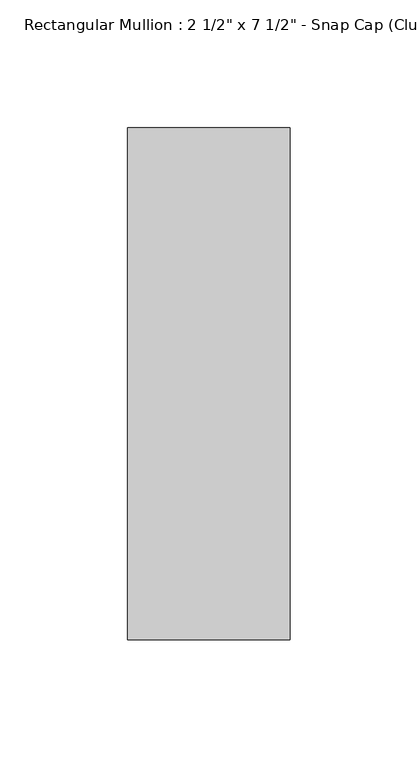
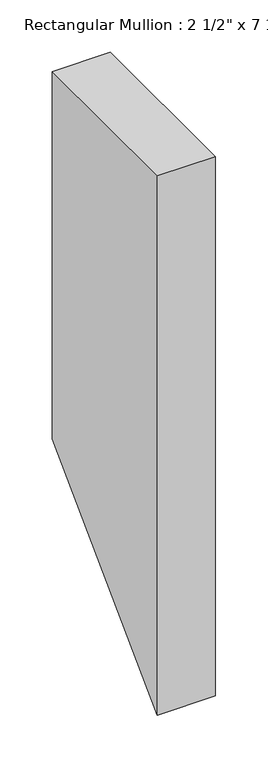
"""IFC4 building model written with IfcOpenShell, lengths in millimetres: member geometry."""

from ifc_helpers import new_model, si_unit, frame, origin, place, context, project, spatial, polyline, outline, extrude, source, transform, mapped, element, save


def member_bf1dcb7f(model_context):
    return source(origin(), model_context, "Body", "SweptSolid", [
        extrude(outline(polyline([(-174.2, 0.0), (25.8, 0.0), (25.8, -427.5651583), (-174.2, -627.5651583), (-174.2, 0.0)])), frame((-31.75, 0.0, 0.0), z_axis=(1.0, 0.0, 0.0), x_axis=(0.0, 1.0, 0.0)), (0.0, 0.0, 1.0), 63.5),
    ])


if __name__ == "__main__":
    model = new_model("IFC4")
    model_context = context("Model", 3, world=origin())
    ifc_project = project(units=[si_unit("LENGTHUNIT", "METRE", prefix="MILLI")], contexts=[model_context])
    site = spatial("IfcSite", under=ifc_project)
    building = spatial("IfcBuilding", under=site)
    placement = place(None, origin())
    member_shape = member_bf1dcb7f(model_context)
    element("IfcMember", 1, ObjectType="Rectangular Mullion : 2 1/2\" x 7 1/2\" - Snap Cap (Club)", at=placement, inside=building, context=model_context, shape_type="MappedRepresentation", body=[
        mapped(member_shape, transform((0.0, 0.0, 0.0), x_axis=(1.0, 0.0, 0.0), y_axis=(0.0, 1.0, 0.0), z_axis=(0.0, 0.0, 1.0))),
    ])
    save(model, "model.ifc")
